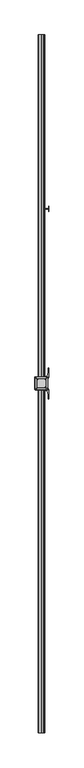
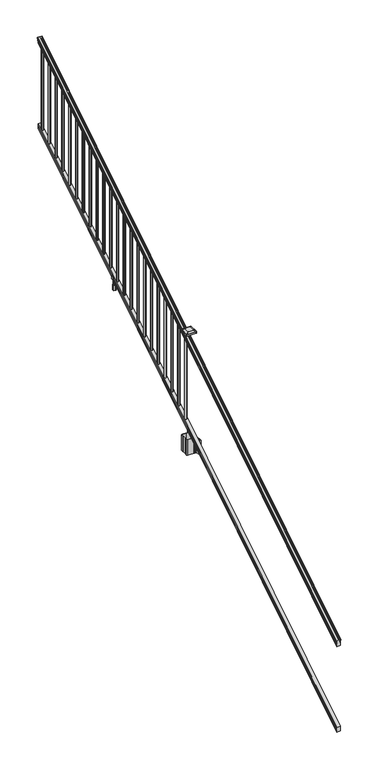
"""IFC4 building model written with IfcOpenShell, lengths in millimetres: railing geometry."""

from ifc_helpers import new_model, si_unit, point, frame, frame_2d, origin, place, context, project, spatial, polyline, circle_curve, ellipse_curve, trimmed, segment, composite_curve, outline, extrude, faceted_brep, source, transform, mapped, element, save
from ifc_brep_helpers import plane_surface, cylinder_surface, revolved_surface, extruded_surface, advanced_brep


def railing_75489416(model_context):
    return source(origin(), model_context, "Body", "SolidModel", [
        advanced_brep(
        [(7464.0754996, -22300.2194681, 1133.2070492), (7466.6493284, -22300.2194681, 1133.2070492), (7466.6493284, -22300.2194681, 1120.6394336), (7465.6333284, -22300.2194681, 1119.441318), (7465.6333284, -22300.2194681, 1104.9), (7497.3833284, -22300.2194681, 1104.9), (7497.3833284, -22300.2194681, 1119.6274214), (7496.3673284, -22300.2194681, 1120.825537), (7496.3673284, -22300.2194681, 1133.2070492), (7498.9411571, -22300.2194681, 1133.2070492), (7498.9411571, -22300.2194681, 1135.4335658), (7500.0713434, -22300.2194681, 1137.2758543), (7500.0713434, -22300.2194681, 1145.7876358), (7499.422087, -22300.2194681, 1148.6572588), (7501.922087, -22300.2194681, 1153.7635509), (7503.3314295, -22300.2194681, 1155.7442021), (7503.7333285, -22300.2194681, 1157.0469579), (7503.7333284, -22300.2194681, 1158.6274846), (7502.1798811, -22300.2194681, 1160.4593836), (7481.5083284, -22300.2194681, 1160.4593836), (7460.8367756, -22300.2194681, 1160.4593836), (7459.2833284, -22300.2194681, 1158.6274846), (7459.2833284, -22300.2194681, 1157.0469579), (7459.6852273, -22300.2194681, 1155.7442021), (7461.0945697, -22300.2194681, 1153.7635509), (7463.5945697, -22300.2194681, 1148.6572588), (7462.9453133, -22300.2194681, 1145.7876358), (7462.9453133, -22300.2194681, 1137.2758543), (7464.0754996, -22300.2194681, 1135.4335658), (7464.0754996, -17423.4194681, 4181.2070492), (7464.0754996, -17423.4194681, 4183.4335658), (7462.9453133, -17423.4194681, 4185.2758543), (7462.9453133, -17423.4194681, 4193.7876358), (7463.5945697, -17423.4194681, 4196.6572588), (7461.0945697, -17423.4194681, 4201.7635509), (7459.6852273, -17423.4194681, 4203.7442021), (7459.2833283, -17423.4194681, 4205.0469579), (7459.2833284, -17423.4194681, 4206.6274846), (7460.8367756, -17423.4194681, 4208.4593836), (7481.5083284, -17423.4194681, 4208.4593836), (7502.1798811, -17423.4194681, 4208.4593836), (7503.7333284, -17423.4194681, 4206.6274846), (7503.7333284, -17423.4194681, 4205.0469579), (7503.3314295, -17423.4194681, 4203.7442021), (7501.922087, -17423.4194681, 4201.7635509), (7499.422087, -17423.4194681, 4196.6572588), (7500.0713434, -17423.4194681, 4193.7876358), (7500.0713434, -17423.4194681, 4185.2758543), (7498.9411571, -17423.4194681, 4183.4335658), (7498.9411571, -17423.4194681, 4181.2070492), (7496.3673284, -17423.4194681, 4181.2070492), (7496.3673284, -17423.4194681, 4168.825537), (7497.3833284, -17423.4194681, 4167.6274214), (7497.3833284, -17423.4194681, 4152.9), (7465.6333284, -17423.4194681, 4152.9), (7465.6333284, -17423.4194681, 4167.441318), (7466.6493284, -17423.4194681, 4168.6394336), (7466.6493284, -17423.4194681, 4181.2070492)],
        [
            (0, 1, ellipse_curve(frame((7465.362414, -22300.2194681, 1133.2070492), z_axis=(0.0, -1.0, 0.0), x_axis=(0.0, 0.0, -1.0)), 1.5175907, 1.2869144)),
            (1, 2),
            (2, 3),
            (3, 4),
            (4, 5),
            (5, 6),
            (6, 7),
            (7, 8),
            (8, 9, ellipse_curve(frame((7497.6542427, -22300.2194681, 1133.2070492), z_axis=(0.0, -1.0, 0.0), x_axis=(0.0, 0.0, -1.0)), 1.5175907, 1.2869144)),
            (9, 10),
            (10, 11, ellipse_curve(frame((7492.6264038, -22300.2194681, 1142.2239405), z_axis=(0.0, -1.0, 0.0), x_axis=(0.0, 0.0, -1.0)), 10.0777926, 8.545951)),
            (11, 12, ellipse_curve(frame((7493.0634668, -22300.2194681, 1141.5317451), z_axis=(0.0, -1.0, 0.0), x_axis=(0.0, 0.0, -1.0)), 9.2955186, 7.882584)),
            (12, 13, ellipse_curve(frame((7503.5767909, -22300.2194681, 1148.4275077), z_axis=(0.0, 1.0, 0.0), x_axis=(0.0, 0.0, 1.0)), 4.9048088, 4.1592695)),
            (13, 14, ellipse_curve(frame((7504.8640975, -22300.2194681, 1148.3563208), z_axis=(0.0, 1.0, 0.0), x_axis=(0.0, 0.0, 1.0)), 6.4245301, 5.4479907)),
            (14, 15, ellipse_curve(frame((7503.630939, -22300.2194681, 1153.7602333), z_axis=(0.0, 1.0, 0.0), x_axis=(0.0, 0.0, 1.0)), 2.0151625, 1.7088543)),
            (15, 16, ellipse_curve(frame((7502.0140389, -22300.2194681, 1157.0469579), z_axis=(0.0, -1.0, 0.0), x_axis=(0.0, 0.0, -1.0)), 2.0274681, 1.7192895)),
            (16, 17),
            (17, 18, ellipse_curve(frame((7502.1798811, -22300.2194681, 1158.6274846), z_axis=(0.0, -1.0, 0.0), x_axis=(0.0, 0.0, -1.0)), 1.831899, 1.5534472)),
            (18, 19),
            (19, 20),
            (20, 21, ellipse_curve(frame((7460.8367756, -22300.2194681, 1158.6274846), z_axis=(0.0, -1.0, 0.0), x_axis=(0.0, 0.0, -1.0)), 1.831899, 1.5534472)),
            (21, 22),
            (22, 23, ellipse_curve(frame((7461.0026178, -22300.2194681, 1157.0469579), z_axis=(0.0, -1.0, 0.0), x_axis=(0.0, 0.0, -1.0)), 2.0274681, 1.7192895)),
            (23, 24, ellipse_curve(frame((7459.3857177, -22300.2194681, 1153.7602333), z_axis=(0.0, 1.0, 0.0), x_axis=(0.0, 0.0, 1.0)), 2.0151625, 1.7088543)),
            (24, 25, ellipse_curve(frame((7458.1525593, -22300.2194681, 1148.3563208), z_axis=(0.0, 1.0, 0.0), x_axis=(0.0, 0.0, 1.0)), 6.4245301, 5.4479907)),
            (25, 26, ellipse_curve(frame((7459.4398658, -22300.2194681, 1148.4275077), z_axis=(0.0, 1.0, 0.0), x_axis=(0.0, 0.0, 1.0)), 4.9048088, 4.1592695)),
            (26, 27, ellipse_curve(frame((7469.95319, -22300.2194681, 1141.5317451), z_axis=(0.0, -1.0, 0.0), x_axis=(0.0, 0.0, -1.0)), 9.2955186, 7.882584)),
            (27, 28, ellipse_curve(frame((7470.3902529, -22300.2194681, 1142.2239405), z_axis=(0.0, -1.0, 0.0), x_axis=(0.0, 0.0, -1.0)), 10.0777926, 8.545951)),
            (28, 0),
            (29, 30),
            (30, 31, ellipse_curve(frame((7470.3902529, -17423.4194681, 4190.2239405), z_axis=(0.0, 1.0, 0.0), x_axis=(0.0, 0.0, -1.0)), 10.0777926, 8.545951)),
            (31, 32, ellipse_curve(frame((7469.95319, -17423.4194681, 4189.5317451), z_axis=(0.0, 1.0, 0.0), x_axis=(0.0, 0.0, -1.0)), 9.2955186, 7.882584)),
            (32, 33, ellipse_curve(frame((7459.4398658, -17423.4194681, 4196.4275077), z_axis=(0.0, -1.0, 0.0), x_axis=(0.0, 0.0, 1.0)), 4.9048088, 4.1592695)),
            (33, 34, ellipse_curve(frame((7458.1525593, -17423.4194681, 4196.3563208), z_axis=(0.0, -1.0, 0.0), x_axis=(0.0, 0.0, 1.0)), 6.4245301, 5.4479907)),
            (34, 35, ellipse_curve(frame((7459.3857177, -17423.4194681, 4201.7602333), z_axis=(0.0, -1.0, 0.0), x_axis=(0.0, 0.0, 1.0)), 2.0151625, 1.7088543)),
            (35, 36, ellipse_curve(frame((7461.0026178, -17423.4194681, 4205.0469579), z_axis=(0.0, 1.0, 0.0), x_axis=(0.0, 0.0, -1.0)), 2.0274681, 1.7192895)),
            (36, 37),
            (37, 38, ellipse_curve(frame((7460.8367756, -17423.4194681, 4206.6274846), z_axis=(0.0, 1.0, 0.0), x_axis=(0.0, 0.0, -1.0)), 1.831899, 1.5534472)),
            (38, 39),
            (39, 40),
            (40, 41, ellipse_curve(frame((7502.1798811, -17423.4194681, 4206.6274846), z_axis=(0.0, 1.0, 0.0), x_axis=(0.0, 0.0, -1.0)), 1.831899, 1.5534472)),
            (41, 42),
            (42, 43, ellipse_curve(frame((7502.0140389, -17423.4194681, 4205.0469579), z_axis=(0.0, 1.0, 0.0), x_axis=(0.0, 0.0, -1.0)), 2.0274681, 1.7192895)),
            (43, 44, ellipse_curve(frame((7503.630939, -17423.4194681, 4201.7602333), z_axis=(0.0, -1.0, 0.0), x_axis=(0.0, 0.0, 1.0)), 2.0151625, 1.7088543)),
            (44, 45, ellipse_curve(frame((7504.8640975, -17423.4194681, 4196.3563208), z_axis=(0.0, -1.0, 0.0), x_axis=(0.0, 0.0, 1.0)), 6.4245301, 5.4479907)),
            (45, 46, ellipse_curve(frame((7503.5767909, -17423.4194681, 4196.4275077), z_axis=(0.0, -1.0, 0.0), x_axis=(0.0, 0.0, 1.0)), 4.9048088, 4.1592695)),
            (46, 47, ellipse_curve(frame((7493.0634668, -17423.4194681, 4189.5317451), z_axis=(0.0, 1.0, 0.0), x_axis=(0.0, 0.0, -1.0)), 9.2955186, 7.882584)),
            (47, 48, ellipse_curve(frame((7492.6264038, -17423.4194681, 4190.2239405), z_axis=(0.0, 1.0, 0.0), x_axis=(0.0, 0.0, -1.0)), 10.0777926, 8.545951)),
            (48, 49),
            (49, 50, ellipse_curve(frame((7497.6542427, -17423.4194681, 4181.2070492), z_axis=(0.0, 1.0, 0.0), x_axis=(0.0, 0.0, -1.0)), 1.5175907, 1.2869144)),
            (50, 51),
            (51, 52),
            (52, 53),
            (53, 54),
            (54, 55),
            (55, 56),
            (56, 57),
            (57, 29, ellipse_curve(frame((7465.362414, -17423.4194681, 4181.2070492), z_axis=(0.0, 1.0, 0.0), x_axis=(0.0, 0.0, -1.0)), 1.5175907, 1.2869144)),
            (28, 30),
            (29, 0),
            (27, 31),
            (26, 32),
            (25, 33),
            (24, 34),
            (23, 35),
            (22, 36),
            (21, 37),
            (20, 38),
            (19, 39),
            (18, 40),
            (17, 41),
            (16, 42),
            (15, 43),
            (14, 44),
            (13, 45),
            (12, 46),
            (11, 47),
            (10, 48),
            (9, 49),
            (8, 50),
            (7, 51),
            (6, 52),
            (5, 53),
            (4, 54),
            (3, 55),
            (2, 56),
            (1, 57),
        ],
        [
            plane_surface(frame((7481.5083284, -22300.2194681, 1104.9), z_axis=(0.0, -1.0, 0.0), x_axis=(0.0, 0.0, 1.0))),
            plane_surface(frame((7481.5083284, -17423.4194681, 4152.9), z_axis=(0.0, 1.0, 0.0), x_axis=(0.0, 0.0, 1.0))),
            plane_surface(frame((7464.0754996, -22300.2194681, 1135.4335658), z_axis=(-1.0, 0.0, 0.0), x_axis=(0.0, 0.8479983040051254, 0.5299989400031202))),
            cylinder_surface(frame((7470.3902529, -22316.9942728, 1131.7396876), z_axis=(0.0, -0.8479983040051254, -0.5299989400031202), x_axis=(1.0, 0.0, 0.0)), 8.545951),
            cylinder_surface(frame((7469.95319, -22316.6831737, 1131.241929), z_axis=(0.0, -0.8479983040051254, -0.5299989400031202), x_axis=(1.0, 0.0, 0.0)), 7.882584),
            revolved_surface(polyline([(7463.5991353, -17421.21505965035, 4197.805262980553), (7463.5991353, -22302.423876549437, 1147.0497524191003)]), (7459.4398658, -22319.7823929, 1136.2006797), (0.0, 0.8479983040051254, 0.5299989400031202)),
            revolved_surface(polyline([(7463.60055, -17420.53203883574, 4198.160964077182), (7463.60055, -22303.10689735281, 1146.551677504493)]), (7458.1525593, -22319.7503988, 1136.1494891), (0.0, 0.8479983040051254, 0.5299989400031202)),
            revolved_surface(polyline([(7461.094572, -17422.513777099783, 4202.326290199653), (7461.094572, -22301.12515912247, 1153.1941764359528)]), (7459.3857177, -22322.1791235, 1140.0354487), (0.0, 0.8479983040051254, 0.5299989400031202)),
            cylinder_surface(frame((7461.0026178, -22323.6563031, 1142.398936), z_axis=(0.0, -0.8479983040051254, -0.5299989400031202), x_axis=(1.0, 0.0, 0.0)), 1.7192895),
            plane_surface(frame((7459.2833284, -22300.2194681, 1158.6274846), z_axis=(-1.0, 0.0, 0.0), x_axis=(0.0, 0.8479983040051254, 0.5299989400031202))),
            cylinder_surface(frame((7460.8367756, -22324.3666522, 1143.5354945), z_axis=(0.0, -0.8479983040051254, -0.5299989400031202), x_axis=(1.0, 0.0, 0.0)), 1.5534472),
            plane_surface(frame((7481.5083284, -22300.2194681, 1160.4593836), z_axis=(0.0, -0.5299989400031202, 0.8479983040051254), x_axis=(0.0, 0.8479983040051254, 0.5299989400031202))),
            plane_surface(frame((7502.1798811, -22300.2194681, 1160.4593836), z_axis=(0.0, -0.5299989400031202, 0.8479983040051254), x_axis=(0.0, 0.8479983040051254, 0.5299989400031202))),
            cylinder_surface(frame((7502.1798811, -22324.3666522, 1143.5354945), z_axis=(0.0, -0.8479983040051254, -0.5299989400031202), x_axis=(-1.0, 0.0, 0.0)), 1.5534472),
            plane_surface(frame((7503.7333284, -22300.2194681, 1157.0469579), z_axis=(1.0, 0.0, 0.0), x_axis=(0.0, 0.8479983040051253, 0.5299989400031203))),
            cylinder_surface(frame((7502.0140389, -22323.6563031, 1142.398936), z_axis=(0.0, -0.8479983040051254, -0.5299989400031202), x_axis=(-1.0, 0.0, 0.0)), 1.7192895),
            revolved_surface(polyline([(7501.9220847, -17422.513777099783, 4202.326290199653), (7501.9220847, -22301.12515912247, 1153.1941764359528)]), (7503.630939, -22322.1791235, 1140.0354487), (0.0, 0.8479983040051254, 0.5299989400031202)),
            revolved_surface(polyline([(7499.416106799999, -17420.53203883574, 4198.160964077182), (7499.416106799999, -22303.10689735281, 1146.551677504493)]), (7504.8640975, -22319.7503988, 1136.1494891), (0.0, 0.8479983040051254, 0.5299989400031202)),
            revolved_surface(polyline([(7499.4175214, -17421.21505965035, 4197.805262980553), (7499.4175214, -22302.423876549437, 1147.0497524191003)]), (7503.5767909, -22319.7823929, 1136.2006797), (0.0, 0.8479983040051254, 0.5299989400031202)),
            cylinder_surface(frame((7493.0634668, -22316.6831737, 1131.241929), z_axis=(0.0, -0.8479983040051254, -0.5299989400031202), x_axis=(-1.0, 0.0, 0.0)), 7.882584),
            cylinder_surface(frame((7492.6264038, -22316.9942728, 1131.7396876), z_axis=(0.0, -0.8479983040051254, -0.5299989400031202), x_axis=(-1.0, 0.0, 0.0)), 8.545951),
            plane_surface(frame((7498.9411571, -22300.2194681, 1133.2070492), z_axis=(1.0, 0.0, 0.0), x_axis=(0.0, 0.8479983040051254, 0.5299989400031202))),
            cylinder_surface(frame((7497.6542427, -22312.9417374, 1125.2556309), z_axis=(0.0, -0.8479983040051254, -0.5299989400031202), x_axis=(-1.0, 0.0, 0.0)), 1.2869144),
            plane_surface(frame((7496.3673284, -22300.2194681, 1120.825537), z_axis=(1.0, 0.0, 0.0), x_axis=(0.0, 0.8479983040051254, 0.5299989400031202))),
            plane_surface(frame((7497.3833284, -22300.2194681, 1119.6274214), z_axis=(0.7071067811865426, -0.3747658444978919, 0.5996253511967194), x_axis=(0.0, 0.8479983040051254, 0.5299989400031202))),
            plane_surface(frame((7497.3833284, -22300.2194681, 1104.9), z_axis=(1.0, 0.0, 0.0), x_axis=(0.0, 0.8479983040051254, 0.5299989400031202))),
            plane_surface(frame((7465.6333284, -22300.2194681, 1104.9), z_axis=(0.0, 0.5299989400031202, -0.8479983040051254), x_axis=(0.0, 0.8479983040051254, 0.5299989400031202))),
            plane_surface(frame((7465.6333284, -22300.2194681, 1119.441318), z_axis=(-1.0, 0.0, 0.0), x_axis=(0.0, 0.8479983040051254, 0.5299989400031202))),
            plane_surface(frame((7466.6493284, -22300.2194681, 1120.6394336), z_axis=(-0.7071067811865401, -0.37476584449789163, 0.5996253511967224), x_axis=(0.0, 0.8479983040051254, 0.5299989400031202))),
            plane_surface(frame((7466.6493284, -22300.2194681, 1133.2070492), z_axis=(-1.0, 0.0, 0.0), x_axis=(0.0, 0.8479983040051254, 0.5299989400031202))),
            cylinder_surface(frame((7465.362414, -22312.9417374, 1125.2556309), z_axis=(0.0, -0.8479983040051254, -0.5299989400031202), x_axis=(1.0, 0.0, 0.0)), 1.2869144),
        ],
        [
            (0, [[1, 2, 3, 4, 5, 6, 7, 8, 9, 10, 11, 12, 13, 14, 15, 16, 17, 18, 19, 20, 21, 22, 23, 24, 25, 26, 27, 28, 29]]),
            (1, [[30, 31, 32, 33, 34, 35, 36, 37, 38, 39, 40, 41, 42, 43, 44, 45, 46, 47, 48, 49, 50, 51, 52, 53, 54, 55, 56, 57, 58]]),
            (2, [[-29, 59, -30, 60]]),
            (3, [[-28, 61, -31, -59]]),
            (4, [[-27, 62, -32, -61]]),
            (5, [[-26, 63, -33, -62]]),
            (6, [[-25, 64, -34, -63]]),
            (7, [[-24, 65, -35, -64]]),
            (8, [[-23, 66, -36, -65]]),
            (9, [[-22, 67, -37, -66]]),
            (10, [[-21, 68, -38, -67]]),
            (11, [[-20, 69, -39, -68]]),
            (12, [[-19, 70, -40, -69]]),
            (13, [[-18, 71, -41, -70]]),
            (14, [[-17, 72, -42, -71]]),
            (15, [[-16, 73, -43, -72]]),
            (16, [[-15, 74, -44, -73]]),
            (17, [[-14, 75, -45, -74]]),
            (18, [[-13, 76, -46, -75]]),
            (19, [[-12, 77, -47, -76]]),
            (20, [[-11, 78, -48, -77]]),
            (21, [[-10, 79, -49, -78]]),
            (22, [[-9, 80, -50, -79]]),
            (23, [[-8, 81, -51, -80]]),
            (24, [[-7, 82, -52, -81]]),
            (25, [[-6, 83, -53, -82]]),
            (26, [[-5, 84, -54, -83]]),
            (27, [[-4, 85, -55, -84]]),
            (28, [[-3, 86, -56, -85]]),
            (29, [[-2, 87, -57, -86]]),
            (30, [[-1, -60, -58, -87]]),
        ],
    ),
        faceted_brep([(7465.5958415, -22300.2194681, 268.8045079), (7465.5958415, -22300.2194681, 254.0), (7497.3458415, -22300.2194681, 254.0), (7497.3458415, -22300.2194681, 268.7848772), (7496.3298415, -22300.2194681, 270.3748303), (7496.3298415, -22300.2194681, 282.5348741), (7497.3458415, -22300.2194681, 284.1248272), (7497.3458415, -22300.2194681, 298.9244744), (7465.5958415, -22300.2194681, 298.9244744), (7465.5958415, -22300.2194681, 284.1444579), (7466.6118415, -22300.2194681, 282.5545048), (7466.6118415, -22300.2194681, 270.338026), (7465.5958415, -17423.4194681, 3316.8045079), (7466.6118415, -17423.4194681, 3318.338026), (7466.6118415, -17423.4194681, 3330.5545048), (7465.5958415, -17423.4194681, 3332.1444579), (7465.5958415, -17423.4194681, 3346.9244744), (7497.3458415, -17423.4194681, 3346.9244744), (7497.3458415, -17423.4194681, 3332.1248272), (7496.3298415, -17423.4194681, 3330.5348741), (7496.3298415, -17423.4194681, 3318.3748303), (7497.3458415, -17423.4194681, 3316.7848772), (7497.3458415, -17423.4194681, 3302.0), (7465.5958415, -17423.4194681, 3302.0)], [[[0, 1, 2, 3, 4, 5, 6, 7, 8, 9, 10, 11]], [[12, 13, 14, 15, 16, 17, 18, 19, 20, 21, 22, 23]], [[0, 11, 13, 12]], [[11, 10, 14, 13]], [[10, 9, 15, 14]], [[9, 8, 16, 15]], [[8, 7, 17, 16]], [[7, 6, 18, 17]], [[6, 5, 19, 18]], [[5, 4, 20, 19]], [[4, 3, 21, 20]], [[3, 2, 22, 21]], [[2, 1, 23, 22]], [[1, 0, 12, 23]]]),
        extrude(outline(composite_curve([segment(trimmed(circle_curve(frame_2d((7481.5083284, -17470.6634681)), 9.525), [point((7471.9833284, -17470.6634681))], [point((7481.5083284, -17461.1384681))], False, "CARTESIAN"), True, "CONTINUOUS"), segment(trimmed(circle_curve(frame_2d((7481.5083284, -17470.6634681)), 9.525), [point((7481.5083284, -17461.1384681))], [point((7491.0333284, -17470.6634681))], False, "CARTESIAN"), True, "CONTINUOUS"), segment(trimmed(circle_curve(frame_2d((7481.5083284, -17470.6634681)), 9.525), [point((7491.0333284, -17470.6634681))], [point((7481.5083284, -17480.1884681))], False, "CARTESIAN"), True, "CONTINUOUS"), segment(trimmed(circle_curve(frame_2d((7481.5083284, -17470.6634681)), 9.525), [point((7481.5083284, -17480.1884681))], [point((7471.9833284, -17470.6634681))], False, "CARTESIAN"), True, "CONTINUOUS")], self_intersect=False)), frame((0.0, 0.0, 3310.5683781), z_axis=(0.0, 0.0, 1.0), x_axis=(1.0, 0.0, 0.0)), (0.0, 0.0, 1.0), 812.8041219),
        extrude(outline(composite_curve([segment(trimmed(circle_curve(frame_2d((7481.5083284, -17581.9154681)), 9.525), [point((7471.9833284, -17581.9154681))], [point((7481.5083284, -17572.3904681))], False, "CARTESIAN"), True, "CONTINUOUS"), segment(trimmed(circle_curve(frame_2d((7481.5083284, -17581.9154681)), 9.525), [point((7481.5083284, -17572.3904681))], [point((7491.0333284, -17581.9154681))], False, "CARTESIAN"), True, "CONTINUOUS"), segment(trimmed(circle_curve(frame_2d((7481.5083284, -17581.9154681)), 9.525), [point((7491.0333284, -17581.9154681))], [point((7481.5083284, -17591.4404681))], False, "CARTESIAN"), True, "CONTINUOUS"), segment(trimmed(circle_curve(frame_2d((7481.5083284, -17581.9154681)), 9.525), [point((7481.5083284, -17591.4404681))], [point((7471.9833284, -17581.9154681))], False, "CARTESIAN"), True, "CONTINUOUS")], self_intersect=False)), frame((0.0, 0.0, 3241.0358781), z_axis=(0.0, 0.0, 1.0), x_axis=(1.0, 0.0, 0.0)), (0.0, 0.0, 1.0), 812.8041219),
        extrude(outline(composite_curve([segment(trimmed(circle_curve(frame_2d((7481.5083284, -17693.1674681)), 9.525), [point((7471.9833284, -17693.1674681))], [point((7481.5083284, -17683.6424681))], False, "CARTESIAN"), True, "CONTINUOUS"), segment(trimmed(circle_curve(frame_2d((7481.5083284, -17693.1674681)), 9.525), [point((7481.5083284, -17683.6424681))], [point((7491.0333284, -17693.1674681))], False, "CARTESIAN"), True, "CONTINUOUS"), segment(trimmed(circle_curve(frame_2d((7481.5083284, -17693.1674681)), 9.525), [point((7491.0333284, -17693.1674681))], [point((7481.5083284, -17702.6924681))], False, "CARTESIAN"), True, "CONTINUOUS"), segment(trimmed(circle_curve(frame_2d((7481.5083284, -17693.1674681)), 9.525), [point((7481.5083284, -17702.6924681))], [point((7471.9833284, -17693.1674681))], False, "CARTESIAN"), True, "CONTINUOUS")], self_intersect=False)), frame((0.0, 0.0, 3171.5033781), z_axis=(0.0, 0.0, 1.0), x_axis=(1.0, 0.0, 0.0)), (0.0, 0.0, 1.0), 812.8041219),
        extrude(outline(composite_curve([segment(trimmed(circle_curve(frame_2d((7481.5083284, -17804.4194681)), 9.525), [point((7471.9833284, -17804.4194681))], [point((7481.5083284, -17794.8944681))], False, "CARTESIAN"), True, "CONTINUOUS"), segment(trimmed(circle_curve(frame_2d((7481.5083284, -17804.4194681)), 9.525), [point((7481.5083284, -17794.8944681))], [point((7491.0333284, -17804.4194681))], False, "CARTESIAN"), True, "CONTINUOUS"), segment(trimmed(circle_curve(frame_2d((7481.5083284, -17804.4194681)), 9.525), [point((7491.0333284, -17804.4194681))], [point((7481.5083284, -17813.9444681))], False, "CARTESIAN"), True, "CONTINUOUS"), segment(trimmed(circle_curve(frame_2d((7481.5083284, -17804.4194681)), 9.525), [point((7481.5083284, -17813.9444681))], [point((7471.9833284, -17804.4194681))], False, "CARTESIAN"), True, "CONTINUOUS")], self_intersect=False)), frame((0.0, 0.0, 3101.9708781), z_axis=(0.0, 0.0, 1.0), x_axis=(1.0, 0.0, 0.0)), (0.0, 0.0, 1.0), 812.8041219),
        extrude(outline(composite_curve([segment(trimmed(circle_curve(frame_2d((7481.5083284, -17915.6714681)), 9.525), [point((7471.9833284, -17915.6714681))], [point((7481.5083284, -17906.1464681))], False, "CARTESIAN"), True, "CONTINUOUS"), segment(trimmed(circle_curve(frame_2d((7481.5083284, -17915.6714681)), 9.525), [point((7481.5083284, -17906.1464681))], [point((7491.0333284, -17915.6714681))], False, "CARTESIAN"), True, "CONTINUOUS"), segment(trimmed(circle_curve(frame_2d((7481.5083284, -17915.6714681)), 9.525), [point((7491.0333284, -17915.6714681))], [point((7481.5083284, -17925.1964681))], False, "CARTESIAN"), True, "CONTINUOUS"), segment(trimmed(circle_curve(frame_2d((7481.5083284, -17915.6714681)), 9.525), [point((7481.5083284, -17925.1964681))], [point((7471.9833284, -17915.6714681))], False, "CARTESIAN"), True, "CONTINUOUS")], self_intersect=False)), frame((0.0, 0.0, 3032.4383781), z_axis=(0.0, 0.0, 1.0), x_axis=(1.0, 0.0, 0.0)), (0.0, 0.0, 1.0), 812.8041219),
        extrude(outline(composite_curve([segment(trimmed(circle_curve(frame_2d((7481.5083284, -18026.9234681)), 9.525), [point((7471.9833284, -18026.9234681))], [point((7481.5083284, -18017.3984681))], False, "CARTESIAN"), True, "CONTINUOUS"), segment(trimmed(circle_curve(frame_2d((7481.5083284, -18026.9234681)), 9.525), [point((7481.5083284, -18017.3984681))], [point((7491.0333284, -18026.9234681))], False, "CARTESIAN"), True, "CONTINUOUS"), segment(trimmed(circle_curve(frame_2d((7481.5083284, -18026.9234681)), 9.525), [point((7491.0333284, -18026.9234681))], [point((7481.5083284, -18036.4484681))], False, "CARTESIAN"), True, "CONTINUOUS"), segment(trimmed(circle_curve(frame_2d((7481.5083284, -18026.9234681)), 9.525), [point((7481.5083284, -18036.4484681))], [point((7471.9833284, -18026.9234681))], False, "CARTESIAN"), True, "CONTINUOUS")], self_intersect=False)), frame((0.0, 0.0, 2962.9058781), z_axis=(0.0, 0.0, 1.0), x_axis=(1.0, 0.0, 0.0)), (0.0, 0.0, 1.0), 812.8041219),
        extrude(outline(composite_curve([segment(trimmed(circle_curve(frame_2d((7481.5083284, -18138.1754681)), 9.525), [point((7471.9833284, -18138.1754681))], [point((7481.5083284, -18128.6504681))], False, "CARTESIAN"), True, "CONTINUOUS"), segment(trimmed(circle_curve(frame_2d((7481.5083284, -18138.1754681)), 9.525), [point((7481.5083284, -18128.6504681))], [point((7491.0333284, -18138.1754681))], False, "CARTESIAN"), True, "CONTINUOUS"), segment(trimmed(circle_curve(frame_2d((7481.5083284, -18138.1754681)), 9.525), [point((7491.0333284, -18138.1754681))], [point((7481.5083284, -18147.7004681))], False, "CARTESIAN"), True, "CONTINUOUS"), segment(trimmed(circle_curve(frame_2d((7481.5083284, -18138.1754681)), 9.525), [point((7481.5083284, -18147.7004681))], [point((7471.9833284, -18138.1754681))], False, "CARTESIAN"), True, "CONTINUOUS")], self_intersect=False)), frame((0.0, 0.0, 2893.3733781), z_axis=(0.0, 0.0, 1.0), x_axis=(1.0, 0.0, 0.0)), (0.0, 0.0, 1.0), 812.8041219),
        extrude(outline(composite_curve([segment(trimmed(circle_curve(frame_2d((7481.5083284, -18249.4274681)), 9.525), [point((7471.9833284, -18249.4274681))], [point((7481.5083284, -18239.9024681))], False, "CARTESIAN"), True, "CONTINUOUS"), segment(trimmed(circle_curve(frame_2d((7481.5083284, -18249.4274681)), 9.525), [point((7481.5083284, -18239.9024681))], [point((7491.0333284, -18249.4274681))], False, "CARTESIAN"), True, "CONTINUOUS"), segment(trimmed(circle_curve(frame_2d((7481.5083284, -18249.4274681)), 9.525), [point((7491.0333284, -18249.4274681))], [point((7481.5083284, -18258.9524681))], False, "CARTESIAN"), True, "CONTINUOUS"), segment(trimmed(circle_curve(frame_2d((7481.5083284, -18249.4274681)), 9.525), [point((7481.5083284, -18258.9524681))], [point((7471.9833284, -18249.4274681))], False, "CARTESIAN"), True, "CONTINUOUS")], self_intersect=False)), frame((0.0, 0.0, 2823.8408781), z_axis=(0.0, 0.0, 1.0), x_axis=(1.0, 0.0, 0.0)), (0.0, 0.0, 1.0), 812.8041219),
        extrude(outline(composite_curve([segment(trimmed(circle_curve(frame_2d((7481.5083284, -18360.6794681)), 9.525), [point((7471.9833284, -18360.6794681))], [point((7481.5083284, -18351.1544681))], False, "CARTESIAN"), True, "CONTINUOUS"), segment(trimmed(circle_curve(frame_2d((7481.5083284, -18360.6794681)), 9.525), [point((7481.5083284, -18351.1544681))], [point((7491.0333284, -18360.6794681))], False, "CARTESIAN"), True, "CONTINUOUS"), segment(trimmed(circle_curve(frame_2d((7481.5083284, -18360.6794681)), 9.525), [point((7491.0333284, -18360.6794681))], [point((7481.5083284, -18370.2044681))], False, "CARTESIAN"), True, "CONTINUOUS"), segment(trimmed(circle_curve(frame_2d((7481.5083284, -18360.6794681)), 9.525), [point((7481.5083284, -18370.2044681))], [point((7471.9833284, -18360.6794681))], False, "CARTESIAN"), True, "CONTINUOUS")], self_intersect=False)), frame((0.0, 0.0, 2754.3083781), z_axis=(0.0, 0.0, 1.0), x_axis=(1.0, 0.0, 0.0)), (0.0, 0.0, 1.0), 812.8041219),
        extrude(outline(composite_curve([segment(trimmed(circle_curve(frame_2d((7481.5083284, -18471.9314681)), 9.525), [point((7471.9833284, -18471.9314681))], [point((7481.5083284, -18462.4064681))], False, "CARTESIAN"), True, "CONTINUOUS"), segment(trimmed(circle_curve(frame_2d((7481.5083284, -18471.9314681)), 9.525), [point((7481.5083284, -18462.4064681))], [point((7491.0333284, -18471.9314681))], False, "CARTESIAN"), True, "CONTINUOUS"), segment(trimmed(circle_curve(frame_2d((7481.5083284, -18471.9314681)), 9.525), [point((7491.0333284, -18471.9314681))], [point((7481.5083284, -18481.4564681))], False, "CARTESIAN"), True, "CONTINUOUS"), segment(trimmed(circle_curve(frame_2d((7481.5083284, -18471.9314681)), 9.525), [point((7481.5083284, -18481.4564681))], [point((7471.9833284, -18471.9314681))], False, "CARTESIAN"), True, "CONTINUOUS")], self_intersect=False)), frame((0.0, 0.0, 2684.7758781), z_axis=(0.0, 0.0, 1.0), x_axis=(1.0, 0.0, 0.0)), (0.0, 0.0, 1.0), 812.8041219),
        extrude(outline(composite_curve([segment(trimmed(circle_curve(frame_2d((7481.5083284, -18583.1834681)), 9.525), [point((7471.9833284, -18583.1834681))], [point((7481.5083284, -18573.6584681))], False, "CARTESIAN"), True, "CONTINUOUS"), segment(trimmed(circle_curve(frame_2d((7481.5083284, -18583.1834681)), 9.525), [point((7481.5083284, -18573.6584681))], [point((7491.0333284, -18583.1834681))], False, "CARTESIAN"), True, "CONTINUOUS"), segment(trimmed(circle_curve(frame_2d((7481.5083284, -18583.1834681)), 9.525), [point((7491.0333284, -18583.1834681))], [point((7481.5083284, -18592.7084681))], False, "CARTESIAN"), True, "CONTINUOUS"), segment(trimmed(circle_curve(frame_2d((7481.5083284, -18583.1834681)), 9.525), [point((7481.5083284, -18592.7084681))], [point((7471.9833284, -18583.1834681))], False, "CARTESIAN"), True, "CONTINUOUS")], self_intersect=False)), frame((0.0, 0.0, 2615.2433781), z_axis=(0.0, 0.0, 1.0), x_axis=(1.0, 0.0, 0.0)), (0.0, 0.0, 1.0), 812.8041219),
        extrude(outline(polyline([(7492.1763282, -18640.0794681), (7492.1763282, -18637.5394681), (7531.5463284, -18637.5394681), (7531.5463284, -18640.0794681), (7492.1763282, -18640.0794681)])), frame((0.0, 0.0, 2428.08125), z_axis=(0.0, 0.0, 1.0), x_axis=(1.0, 0.0, 0.0)), (0.0, 0.0, 1.0), 50.8),
        extrude(outline(polyline([(7531.5463284, -18657.8594681), (7531.5463284, -18619.7594681), (7534.0863284, -18619.7594681), (7534.0863284, -18657.8594681), (7531.5463284, -18657.8594681)])), frame((0.0, 0.0, 2428.08125), z_axis=(0.0, 0.0, 1.0), x_axis=(1.0, 0.0, 0.0)), (0.0, 0.0, 1.0), 50.8),
        extrude(outline(polyline([(7470.8403276, -18648.7154681), (7470.8403276, -18628.9034681), (7492.1763282, -18628.9034681), (7492.1763282, -18648.7154681), (7470.8403276, -18648.7154681)]), holes=[polyline([(7474.1423277, -18646.1754681), (7488.8743281, -18646.1754681), (7488.8743281, -18631.4434681), (7474.1423277, -18631.4434681), (7474.1423277, -18646.1754681)])]), frame((0.0, 0.0, 2428.08125), z_axis=(0.0, 0.0, 1.0), x_axis=(1.0, 0.0, 0.0)), (0.0, 0.0, 1.0), 50.8),
        extrude(outline(polyline([(2567.6016479, 7499.6693272), (2567.6016479, 7497.6373276), (2566.5856453, 7496.6213278), (2556.1498581, 7496.6213278), (2555.1338573, 7497.6373276), (2543.143251, 7497.6373276), (2542.3812519, 7496.8753285), (2542.3812519, 7466.1413273), (2543.143251, 7465.3793282), (2555.1338573, 7465.3793282), (2556.1498581, 7466.395328), (2566.5856453, 7466.395328), (2567.6016479, 7465.3793282), (2567.6016479, 7463.3473286), (2566.8396469, 7462.5853276), (2540.3492523, 7462.5853276), (2539.5872513, 7463.3473286), (2539.5872513, 7473.3803276), (2538.8252512, 7474.1423277), (2475.3252512, 7474.1423277), (2475.3252512, 7488.8743281), (2538.8252512, 7488.8743281), (2539.5872513, 7489.6363282), (2539.5872513, 7499.6693272), (2540.3492523, 7500.4313282), (2566.8396469, 7500.4313282), (2567.6016479, 7499.6693272)]), holes=[polyline([(2539.5872513, 7478.079328), (2539.5872513, 7484.9373278), (2538.8252512, 7485.6993279), (2482.8182503, 7485.6993279), (2482.0562531, 7484.9373307), (2482.0562531, 7478.079328), (2482.8182531, 7477.3173279), (2538.8252512, 7477.3173279), (2539.5872513, 7478.079328)])]), frame((0.0, -18646.1754681, 0.0), z_axis=(0.0, 1.0, 0.0), x_axis=(0.0, 0.0, 1.0)), (0.0, 0.0, 1.0), 14.732),
        extrude(outline(composite_curve([segment(trimmed(circle_curve(frame_2d((7481.5083284, -18694.4354681)), 9.525), [point((7471.9833284, -18694.4354681))], [point((7481.5083284, -18684.9104681))], False, "CARTESIAN"), True, "CONTINUOUS"), segment(trimmed(circle_curve(frame_2d((7481.5083284, -18694.4354681)), 9.525), [point((7481.5083284, -18684.9104681))], [point((7491.0333284, -18694.4354681))], False, "CARTESIAN"), True, "CONTINUOUS"), segment(trimmed(circle_curve(frame_2d((7481.5083284, -18694.4354681)), 9.525), [point((7491.0333284, -18694.4354681))], [point((7481.5083284, -18703.9604681))], False, "CARTESIAN"), True, "CONTINUOUS"), segment(trimmed(circle_curve(frame_2d((7481.5083284, -18694.4354681)), 9.525), [point((7481.5083284, -18703.9604681))], [point((7471.9833284, -18694.4354681))], False, "CARTESIAN"), True, "CONTINUOUS")], self_intersect=False)), frame((0.0, 0.0, 2545.7108781), z_axis=(0.0, 0.0, 1.0), x_axis=(1.0, 0.0, 0.0)), (0.0, 0.0, 1.0), 812.8041219),
        extrude(outline(composite_curve([segment(trimmed(circle_curve(frame_2d((7481.5083284, -18805.6874681)), 9.525), [point((7471.9833284, -18805.6874681))], [point((7481.5083284, -18796.1624681))], False, "CARTESIAN"), True, "CONTINUOUS"), segment(trimmed(circle_curve(frame_2d((7481.5083284, -18805.6874681)), 9.525), [point((7481.5083284, -18796.1624681))], [point((7491.0333284, -18805.6874681))], False, "CARTESIAN"), True, "CONTINUOUS"), segment(trimmed(circle_curve(frame_2d((7481.5083284, -18805.6874681)), 9.525), [point((7491.0333284, -18805.6874681))], [point((7481.5083284, -18815.2124681))], False, "CARTESIAN"), True, "CONTINUOUS"), segment(trimmed(circle_curve(frame_2d((7481.5083284, -18805.6874681)), 9.525), [point((7481.5083284, -18815.2124681))], [point((7471.9833284, -18805.6874681))], False, "CARTESIAN"), True, "CONTINUOUS")], self_intersect=False)), frame((0.0, 0.0, 2476.1783781), z_axis=(0.0, 0.0, 1.0), x_axis=(1.0, 0.0, 0.0)), (0.0, 0.0, 1.0), 812.8041219),
        extrude(outline(composite_curve([segment(trimmed(circle_curve(frame_2d((7481.5083284, -18916.9394681)), 9.525), [point((7471.9833284, -18916.9394681))], [point((7481.5083284, -18907.4144681))], False, "CARTESIAN"), True, "CONTINUOUS"), segment(trimmed(circle_curve(frame_2d((7481.5083284, -18916.9394681)), 9.525), [point((7481.5083284, -18907.4144681))], [point((7491.0333284, -18916.9394681))], False, "CARTESIAN"), True, "CONTINUOUS"), segment(trimmed(circle_curve(frame_2d((7481.5083284, -18916.9394681)), 9.525), [point((7491.0333284, -18916.9394681))], [point((7481.5083284, -18926.4644681))], False, "CARTESIAN"), True, "CONTINUOUS"), segment(trimmed(circle_curve(frame_2d((7481.5083284, -18916.9394681)), 9.525), [point((7481.5083284, -18926.4644681))], [point((7471.9833284, -18916.9394681))], False, "CARTESIAN"), True, "CONTINUOUS")], self_intersect=False)), frame((0.0, 0.0, 2406.6458781), z_axis=(0.0, 0.0, 1.0), x_axis=(1.0, 0.0, 0.0)), (0.0, 0.0, 1.0), 812.8041219),
        extrude(outline(composite_curve([segment(trimmed(circle_curve(frame_2d((7481.5083284, -19028.1914681)), 9.525), [point((7471.9833284, -19028.1914681))], [point((7481.5083284, -19018.6664681))], False, "CARTESIAN"), True, "CONTINUOUS"), segment(trimmed(circle_curve(frame_2d((7481.5083284, -19028.1914681)), 9.525), [point((7481.5083284, -19018.6664681))], [point((7491.0333284, -19028.1914681))], False, "CARTESIAN"), True, "CONTINUOUS"), segment(trimmed(circle_curve(frame_2d((7481.5083284, -19028.1914681)), 9.525), [point((7491.0333284, -19028.1914681))], [point((7481.5083284, -19037.7164681))], False, "CARTESIAN"), True, "CONTINUOUS"), segment(trimmed(circle_curve(frame_2d((7481.5083284, -19028.1914681)), 9.525), [point((7481.5083284, -19037.7164681))], [point((7471.9833284, -19028.1914681))], False, "CARTESIAN"), True, "CONTINUOUS")], self_intersect=False)), frame((0.0, 0.0, 2337.1133781), z_axis=(0.0, 0.0, 1.0), x_axis=(1.0, 0.0, 0.0)), (0.0, 0.0, 1.0), 812.8041219),
        extrude(outline(composite_curve([segment(trimmed(circle_curve(frame_2d((7481.5083284, -19139.4434681)), 9.525), [point((7471.9833284, -19139.4434681))], [point((7481.5083284, -19129.9184681))], False, "CARTESIAN"), True, "CONTINUOUS"), segment(trimmed(circle_curve(frame_2d((7481.5083284, -19139.4434681)), 9.525), [point((7481.5083284, -19129.9184681))], [point((7491.0333284, -19139.4434681))], False, "CARTESIAN"), True, "CONTINUOUS"), segment(trimmed(circle_curve(frame_2d((7481.5083284, -19139.4434681)), 9.525), [point((7491.0333284, -19139.4434681))], [point((7481.5083284, -19148.9684681))], False, "CARTESIAN"), True, "CONTINUOUS"), segment(trimmed(circle_curve(frame_2d((7481.5083284, -19139.4434681)), 9.525), [point((7481.5083284, -19148.9684681))], [point((7471.9833284, -19139.4434681))], False, "CARTESIAN"), True, "CONTINUOUS")], self_intersect=False)), frame((0.0, 0.0, 2267.5808781), z_axis=(0.0, 0.0, 1.0), x_axis=(1.0, 0.0, 0.0)), (0.0, 0.0, 1.0), 812.8041219),
        extrude(outline(composite_curve([segment(trimmed(circle_curve(frame_2d((7481.5083284, -19250.6954681)), 9.525), [point((7471.9833284, -19250.6954681))], [point((7481.5083284, -19241.1704681))], False, "CARTESIAN"), True, "CONTINUOUS"), segment(trimmed(circle_curve(frame_2d((7481.5083284, -19250.6954681)), 9.525), [point((7481.5083284, -19241.1704681))], [point((7491.0333284, -19250.6954681))], False, "CARTESIAN"), True, "CONTINUOUS"), segment(trimmed(circle_curve(frame_2d((7481.5083284, -19250.6954681)), 9.525), [point((7491.0333284, -19250.6954681))], [point((7481.5083284, -19260.2204681))], False, "CARTESIAN"), True, "CONTINUOUS"), segment(trimmed(circle_curve(frame_2d((7481.5083284, -19250.6954681)), 9.525), [point((7481.5083284, -19260.2204681))], [point((7471.9833284, -19250.6954681))], False, "CARTESIAN"), True, "CONTINUOUS")], self_intersect=False)), frame((0.0, 0.0, 2198.0483781), z_axis=(0.0, 0.0, 1.0), x_axis=(1.0, 0.0, 0.0)), (0.0, 0.0, 1.0), 812.8041219),
        extrude(outline(composite_curve([segment(trimmed(circle_curve(frame_2d((7481.5083284, -19361.9474681)), 9.525), [point((7471.9833284, -19361.9474681))], [point((7481.5083284, -19352.4224681))], False, "CARTESIAN"), True, "CONTINUOUS"), segment(trimmed(circle_curve(frame_2d((7481.5083284, -19361.9474681)), 9.525), [point((7481.5083284, -19352.4224681))], [point((7491.0333284, -19361.9474681))], False, "CARTESIAN"), True, "CONTINUOUS"), segment(trimmed(circle_curve(frame_2d((7481.5083284, -19361.9474681)), 9.525), [point((7491.0333284, -19361.9474681))], [point((7481.5083284, -19371.4724681))], False, "CARTESIAN"), True, "CONTINUOUS"), segment(trimmed(circle_curve(frame_2d((7481.5083284, -19361.9474681)), 9.525), [point((7481.5083284, -19371.4724681))], [point((7471.9833284, -19361.9474681))], False, "CARTESIAN"), True, "CONTINUOUS")], self_intersect=False)), frame((0.0, 0.0, 2128.5158781), z_axis=(0.0, 0.0, 1.0), x_axis=(1.0, 0.0, 0.0)), (0.0, 0.0, 1.0), 812.8041219),
        extrude(outline(composite_curve([segment(trimmed(circle_curve(frame_2d((7481.5083284, -19473.1994681)), 9.525), [point((7471.9833284, -19473.1994681))], [point((7481.5083284, -19463.6744681))], False, "CARTESIAN"), True, "CONTINUOUS"), segment(trimmed(circle_curve(frame_2d((7481.5083284, -19473.1994681)), 9.525), [point((7481.5083284, -19463.6744681))], [point((7491.0333284, -19473.1994681))], False, "CARTESIAN"), True, "CONTINUOUS"), segment(trimmed(circle_curve(frame_2d((7481.5083284, -19473.1994681)), 9.525), [point((7491.0333284, -19473.1994681))], [point((7481.5083284, -19482.7244681))], False, "CARTESIAN"), True, "CONTINUOUS"), segment(trimmed(circle_curve(frame_2d((7481.5083284, -19473.1994681)), 9.525), [point((7481.5083284, -19482.7244681))], [point((7471.9833284, -19473.1994681))], False, "CARTESIAN"), True, "CONTINUOUS")], self_intersect=False)), frame((0.0, 0.0, 2058.9833781), z_axis=(0.0, 0.0, 1.0), x_axis=(1.0, 0.0, 0.0)), (0.0, 0.0, 1.0), 812.8041219),
        extrude(outline(composite_curve([segment(trimmed(circle_curve(frame_2d((7481.5083284, -19584.4514681)), 9.525), [point((7471.9833284, -19584.4514681))], [point((7481.5083284, -19574.9264681))], False, "CARTESIAN"), True, "CONTINUOUS"), segment(trimmed(circle_curve(frame_2d((7481.5083284, -19584.4514681)), 9.525), [point((7481.5083284, -19574.9264681))], [point((7491.0333284, -19584.4514681))], False, "CARTESIAN"), True, "CONTINUOUS"), segment(trimmed(circle_curve(frame_2d((7481.5083284, -19584.4514681)), 9.525), [point((7491.0333284, -19584.4514681))], [point((7481.5083284, -19593.9764681))], False, "CARTESIAN"), True, "CONTINUOUS"), segment(trimmed(circle_curve(frame_2d((7481.5083284, -19584.4514681)), 9.525), [point((7481.5083284, -19593.9764681))], [point((7471.9833284, -19584.4514681))], False, "CARTESIAN"), True, "CONTINUOUS")], self_intersect=False)), frame((0.0, 0.0, 1989.4508781), z_axis=(0.0, 0.0, 1.0), x_axis=(1.0, 0.0, 0.0)), (0.0, 0.0, 1.0), 812.8041219),
        extrude(outline(composite_curve([segment(trimmed(circle_curve(frame_2d((7481.5083284, -19695.7034681)), 9.525), [point((7471.9833284, -19695.7034681))], [point((7481.5083284, -19686.1784681))], False, "CARTESIAN"), True, "CONTINUOUS"), segment(trimmed(circle_curve(frame_2d((7481.5083284, -19695.7034681)), 9.525), [point((7481.5083284, -19686.1784681))], [point((7491.0333284, -19695.7034681))], False, "CARTESIAN"), True, "CONTINUOUS"), segment(trimmed(circle_curve(frame_2d((7481.5083284, -19695.7034681)), 9.525), [point((7491.0333284, -19695.7034681))], [point((7481.5083284, -19705.2284681))], False, "CARTESIAN"), True, "CONTINUOUS"), segment(trimmed(circle_curve(frame_2d((7481.5083284, -19695.7034681)), 9.525), [point((7481.5083284, -19705.2284681))], [point((7471.9833284, -19695.7034681))], False, "CARTESIAN"), True, "CONTINUOUS")], self_intersect=False)), frame((0.0, 0.0, 1919.9183781), z_axis=(0.0, 0.0, 1.0), x_axis=(1.0, 0.0, 0.0)), (0.0, 0.0, 1.0), 812.8041219),
        extrude(outline(composite_curve([segment(trimmed(circle_curve(frame_2d((7481.5083284, -19806.9554681)), 9.525), [point((7471.9833284, -19806.9554681))], [point((7481.5083284, -19797.4304681))], False, "CARTESIAN"), True, "CONTINUOUS"), segment(trimmed(circle_curve(frame_2d((7481.5083284, -19806.9554681)), 9.525), [point((7481.5083284, -19797.4304681))], [point((7491.0333284, -19806.9554681))], False, "CARTESIAN"), True, "CONTINUOUS"), segment(trimmed(circle_curve(frame_2d((7481.5083284, -19806.9554681)), 9.525), [point((7491.0333284, -19806.9554681))], [point((7481.5083284, -19816.4804681))], False, "CARTESIAN"), True, "CONTINUOUS"), segment(trimmed(circle_curve(frame_2d((7481.5083284, -19806.9554681)), 9.525), [point((7481.5083284, -19816.4804681))], [point((7471.9833284, -19806.9554681))], False, "CARTESIAN"), True, "CONTINUOUS")], self_intersect=False)), frame((0.0, 0.0, 1850.3858781), z_axis=(0.0, 0.0, 1.0), x_axis=(1.0, 0.0, 0.0)), (0.0, 0.0, 1.0), 812.8041219),
        extrude(outline(composite_curve([segment(polyline([(7438.7728284, -19876.665563), (7438.7728284, -19841.8933732), (7437.1853284, -19841.1313732), (7437.1853284, -19818.3294452), (7440.5583054, -19814.9564681), (7502.0179763, -19814.9564681), (7502.0179763, -19814.0357181), (7507.3355201, -19814.0357181), (7507.3355201, -19812.5814634), (7512.4200498, -19812.5814634), (7512.4200498, -19811.2974396), (7514.0873221, -19811.2974396)]), True, "CONTINUOUS"), segment(trimmed(circle_curve(frame_2d((7514.0873221, -19804.2379797)), 7.0594599), [point((7514.0873221, -19811.2974396))], [point((7520.8545849, -19806.2479864))], True, "CARTESIAN"), True, "CONTINUOUS"), segment(polyline([(7520.8545849, -19806.2479864), (7528.7287792, -19779.7372573)]), True, "CONTINUOUS"), segment(trimmed(circle_curve(frame_2d((7473.9442659, -19763.4652076)), 57.15), [point((7528.7287792, -19779.7372573))], [point((7531.0942659, -19763.4652076))], True, "CARTESIAN"), True, "CONTINUOUS"), segment(polyline([(7531.0942659, -19763.4652076), (7531.0942659, -19751.4564681), (7534.0942659, -19751.4564681), (7534.0942659, -19816.5439681), (7525.8313284, -19827.8822594), (7525.8313284, -19841.1313732), (7524.2438284, -19841.8933732), (7524.2438284, -19876.665563), (7525.8313284, -19877.427563), (7525.8313284, -19890.6766768), (7534.0942659, -19902.0149681), (7534.0942659, -19967.1024681), (7531.0942659, -19967.1024681), (7531.0942659, -19955.0937285)]), True, "CONTINUOUS"), segment(trimmed(circle_curve(frame_2d((7473.9442659, -19955.0937285)), 57.15), [point((7531.0942659, -19955.0937285))], [point((7528.7287792, -19938.8216789))], True, "CARTESIAN"), True, "CONTINUOUS"), segment(polyline([(7528.7287792, -19938.8216789), (7520.8545849, -19912.3109498)]), True, "CONTINUOUS"), segment(trimmed(circle_curve(frame_2d((7514.0873221, -19914.3209565)), 7.0594599), [point((7520.8545849, -19912.3109498))], [point((7514.0873221, -19907.2614966))], True, "CARTESIAN"), True, "CONTINUOUS"), segment(polyline([(7514.0873221, -19907.2614966), (7512.4200498, -19907.2614966), (7512.4200498, -19905.9774728), (7507.3355201, -19905.9774728), (7507.3355201, -19904.5232181), (7502.0179763, -19904.5232181), (7502.0179763, -19903.6024681), (7440.5583054, -19903.6024681), (7437.1853284, -19900.229491), (7437.1853284, -19877.427563), (7438.7728284, -19876.665563)]), True, "CONTINUOUS")], self_intersect=False), holes=[polyline([(7522.7833284, -19819.5919681), (7521.1958284, -19818.0044681), (7484.2715458, -19818.0044681), (7441.8208284, -19818.0044681), (7440.2333284, -19819.5919681), (7440.2333284, -19898.9669681), (7441.8208284, -19900.5544681), (7484.2715458, -19900.5544681), (7521.1958284, -19900.5544681), (7522.7833284, -19898.9669681), (7522.7833284, -19819.5919681)])]), frame((0.0, 0.0, 1563.6875), z_axis=(0.0, 0.0, 1.0), x_axis=(1.0, 0.0, 0.0)), (0.0, 0.0, 1.0), 152.4),
        advanced_brep(
        [(7507.3052034, -19888.2513431, 2776.026763), (7510.4802034, -19885.0763431, 2776.026763), (7510.4802034, -19833.4825931, 2776.026763), (7507.3052034, -19830.3075931, 2776.026763), (7455.7114534, -19830.3075931, 2776.026763), (7452.5364534, -19833.4825931, 2776.026763), (7452.5364534, -19885.0763431, 2776.026763), (7455.7114534, -19888.2513431, 2776.026763), (7523.5770784, -19904.5232181, 2764.723763), (7439.4395784, -19904.5232181, 2764.723763), (7436.2645784, -19901.3482181, 2764.723763), (7436.2645784, -19817.2107181, 2764.723763), (7439.4395784, -19814.0357181, 2764.723763), (7523.5770784, -19814.0357181, 2764.723763), (7526.7520784, -19817.2107181, 2764.723763), (7526.7520784, -19901.3482181, 2764.723763)],
        [
            (0, 1, circle_curve(frame((7507.3052034, -19885.0763431, 2776.026763), z_axis=(0.0, 0.0, 1.0), x_axis=(0.0, 1.0, 0.0)), 3.175)),
            (1, 2),
            (2, 3, circle_curve(frame((7507.3052034, -19833.4825931, 2776.026763), z_axis=(0.0, 0.0, 1.0), x_axis=(0.0, 1.0, 0.0)), 3.175)),
            (3, 4),
            (4, 5, circle_curve(frame((7455.7114534, -19833.4825931, 2776.026763), z_axis=(0.0, 0.0, 1.0), x_axis=(0.0, 1.0, 0.0)), 3.175)),
            (5, 6),
            (6, 7, circle_curve(frame((7455.7114534, -19885.0763431, 2776.026763), z_axis=(0.0, 0.0, 1.0), x_axis=(0.0, 1.0, 0.0)), 3.175)),
            (7, 0),
            (8, 9),
            (9, 10, circle_curve(frame((7439.4395784, -19901.3482181, 2764.723763), z_axis=(0.0, 0.0, -1.0), x_axis=(0.0, 1.0, 0.0)), 3.175)),
            (10, 11),
            (11, 12, circle_curve(frame((7439.4395784, -19817.2107181, 2764.723763), z_axis=(0.0, 0.0, -1.0), x_axis=(0.0, 1.0, 0.0)), 3.175)),
            (12, 13),
            (13, 14, circle_curve(frame((7523.5770784, -19817.2107181, 2764.723763), z_axis=(0.0, 0.0, -1.0), x_axis=(0.0, 1.0, 0.0)), 3.175)),
            (14, 15),
            (15, 8, circle_curve(frame((7523.5770784, -19901.3482181, 2764.723763), z_axis=(0.0, 0.0, -1.0), x_axis=(0.0, 1.0, 0.0)), 3.175)),
            (15, 1),
            (0, 8),
            (14, 2),
            (13, 3),
            (12, 4),
            (11, 5),
            (10, 6),
            (9, 7),
        ],
        [
            plane_surface(frame((7481.5083284, -19859.2794681, 2776.026763), z_axis=(0.0, 0.0, 1.0), x_axis=(1.0, 0.0, 0.0))),
            plane_surface(frame((7481.5083284, -19859.2794681, 2764.723763), z_axis=(0.0, 0.0, -1.0), x_axis=(1.0, 0.0, 0.0))),
            extruded_surface(trimmed(circle_curve(frame((7523.5770784, -19901.3482181, 2764.723763), z_axis=(0.0, 0.0, 1.0), x_axis=(0.0, 1.0, 0.0)), 3.175), [point((7523.5770784, -19904.5232181, 2764.723763))], [point((7526.7520784, -19901.3482181, 2764.723763))], True, "CARTESIAN"), (-16.271874999999454, 16.271874999998545, 11.302999999999884), 25.63797263886484),
            plane_surface(frame((7526.7520784, -19859.2794681, 2764.723763), z_axis=(0.5705009161540778, 0.0, 0.8212969649690408), x_axis=(0.0, 1.0, 0.0))),
            extruded_surface(trimmed(circle_curve(frame((7523.5770784, -19817.2107181, 2764.723763), z_axis=(0.0, 0.0, 1.0), x_axis=(0.0, 1.0, 0.0)), 3.175), [point((7526.7520784, -19817.2107181, 2764.723763))], [point((7523.5770784, -19814.0357181, 2764.723763))], True, "CARTESIAN"), (-16.271874999999454, -16.271875000002183, 11.302999999999884), 25.63797263886715),
            plane_surface(frame((7481.5083284, -19814.0357181, 2764.723763), z_axis=(0.0, 0.5705009161540291, 0.8212969649690747), x_axis=(-1.0, 0.0, 0.0))),
            extruded_surface(trimmed(circle_curve(frame((7439.4395784, -19817.2107181, 2764.723763), z_axis=(0.0, 0.0, 1.0), x_axis=(0.0, 1.0, 0.0)), 3.175), [point((7439.4395784, -19814.0357181, 2764.723763))], [point((7436.2645784, -19817.2107181, 2764.723763))], True, "CARTESIAN"), (16.271875000000364, -16.271875000002183, 11.302999999999884), 25.637972638867726),
            plane_surface(frame((7436.2645784, -19859.2794681, 2764.723763), z_axis=(-0.5705009161540142, 0.0, 0.8212969649690851), x_axis=(0.0, -1.0, 0.0))),
            extruded_surface(trimmed(circle_curve(frame((7439.4395784, -19901.3482181, 2764.723763), z_axis=(0.0, 0.0, 1.0), x_axis=(0.0, 1.0, 0.0)), 3.175), [point((7436.2645784, -19901.3482181, 2764.723763))], [point((7439.4395784, -19904.5232181, 2764.723763))], True, "CARTESIAN"), (16.271875000000364, 16.271874999998545, 11.302999999999884), 25.63797263886542),
            plane_surface(frame((7481.5083284, -19904.5232181, 2764.723763), z_axis=(0.0, -0.570500916154034, 0.8212969649690713), x_axis=(1.0, 0.0, 0.0))),
        ],
        [
            (0, [[1, 2, 3, 4, 5, 6, 7, 8]]),
            (1, [[9, 10, 11, 12, 13, 14, 15, 16]]),
            (2, [[-16, 17, -1, 18]]),
            (3, [[-15, 19, -2, -17]]),
            (4, [[-14, 20, -3, -19]]),
            (5, [[-13, 21, -4, -20]]),
            (6, [[-12, 22, -5, -21]]),
            (7, [[-11, 23, -6, -22]]),
            (8, [[-10, 24, -7, -23]]),
            (9, [[-9, -18, -8, -24]]),
        ],
    ),
        extrude(outline(composite_curve([segment(polyline([(7523.5770784, -19904.5232181), (7439.4395784, -19904.5232181)]), True, "CONTINUOUS"), segment(trimmed(circle_curve(frame_2d((7439.4395784, -19901.3482181)), 3.175), [point((7439.4395784, -19904.5232181))], [point((7436.2645784, -19901.3482181))], False, "CARTESIAN"), True, "CONTINUOUS"), segment(polyline([(7436.2645784, -19901.3482181), (7436.2645784, -19817.2107181)]), True, "CONTINUOUS"), segment(trimmed(circle_curve(frame_2d((7439.4395784, -19817.2107181)), 3.175), [point((7436.2645784, -19817.2107181))], [point((7439.4395784, -19814.0357181))], False, "CARTESIAN"), True, "CONTINUOUS"), segment(polyline([(7439.4395784, -19814.0357181), (7523.5770784, -19814.0357181)]), True, "CONTINUOUS"), segment(trimmed(circle_curve(frame_2d((7523.5770784, -19817.2107181)), 3.175), [point((7523.5770784, -19814.0357181))], [point((7526.7520784, -19817.2107181))], False, "CARTESIAN"), True, "CONTINUOUS"), segment(polyline([(7526.7520784, -19817.2107181), (7526.7520784, -19901.3482181)]), True, "CONTINUOUS"), segment(trimmed(circle_curve(frame_2d((7523.5770784, -19901.3482181)), 3.175), [point((7526.7520784, -19901.3482181))], [point((7523.5770784, -19904.5232181))], False, "CARTESIAN"), True, "CONTINUOUS")], self_intersect=False)), frame((0.0, 0.0, 2747.451763), z_axis=(0.0, 0.0, 1.0), x_axis=(1.0, 0.0, 0.0)), (0.0, 0.0, 1.0), 17.272),
    ])


if __name__ == "__main__":
    model = new_model("IFC4")
    model_context = context("Model", 3, world=origin())
    ifc_project = project(units=[si_unit("LENGTHUNIT", "METRE", prefix="MILLI")], contexts=[model_context])
    site = spatial("IfcSite", under=ifc_project)
    building = spatial("IfcBuilding", under=site)
    placement = place(None, origin())
    railing_shape = railing_75489416(model_context)
    element("IfcRailing", 1, at=placement, inside=building, context=model_context, shape_type="MappedRepresentation", body=[
        mapped(railing_shape, transform((0.0, 0.0, 0.0), x_axis=(1.0, 0.0, 0.0), y_axis=(0.0, 1.0, 0.0), z_axis=(0.0, 0.0, 1.0))),
    ])
    save(model, "model.ifc")
